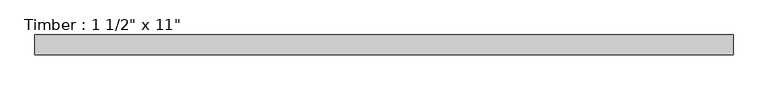
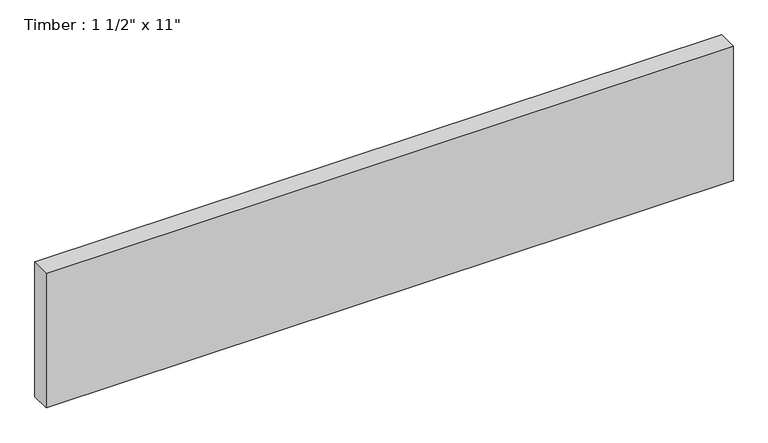
"""IFC4 building model written with IfcOpenShell, lengths in millimetres: beam geometry."""

from ifc_helpers import new_model, si_unit, frame, origin, place, context, project, spatial, polyline, outline, extrude, source, transform, mapped, element, save


def beam_8ab3a913(model_context):
    return source(origin(), model_context, "Body", "SweptSolid", [
        extrude(outline(polyline([(673.6862835, 19.05), (673.6862835, -19.05), (-673.6862835, -19.05), (-673.6862835, 19.05), (673.6862835, 19.05)])), frame((0.0, 0.0, -139.7), z_axis=(0.0, 0.0, 1.0), x_axis=(1.0, 0.0, 0.0)), (0.0, 0.0, 1.0), 279.4),
    ])


if __name__ == "__main__":
    model = new_model("IFC4")
    model_context = context("Model", 3, world=origin())
    ifc_project = project(units=[si_unit("LENGTHUNIT", "METRE", prefix="MILLI")], contexts=[model_context])
    site = spatial("IfcSite", under=ifc_project)
    building = spatial("IfcBuilding", under=site)
    placement = place(None, origin())
    beam_shape = beam_8ab3a913(model_context)
    element("IfcBeam", 1, ObjectType="Timber : 1 1/2\" x 11\"", at=placement, inside=building, context=model_context, shape_type="MappedRepresentation", body=[
        mapped(beam_shape, transform((0.0, 0.0, 0.0), x_axis=(1.0, 0.0, 0.0), y_axis=(0.0, 1.0, 0.0), z_axis=(0.0, 0.0, 1.0))),
    ])
    save(model, "model.ifc")
